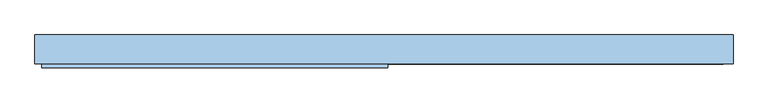
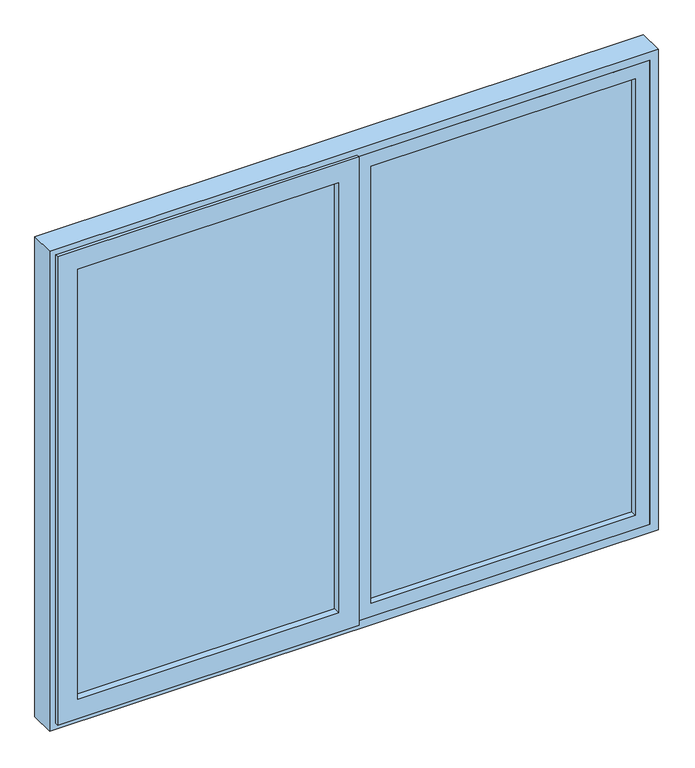
"""IFC4 building model written with IfcOpenShell, lengths in millimetres: window geometry."""

from ifc_helpers import new_model, si_unit, frame, origin, place, context, project, spatial, polyline, outline, extrude, faceted_brep, source, transform, mapped, element, save


def window_8ff41e3b(model_context):
    return source(origin(), model_context, "Body", "SolidModel", [
        faceted_brep([(0.0, -32.7, 968.0), (0.0, 36.7, 968.0), (0.0, 36.7, 925.0), (0.0, -32.7, 925.0), (4.0, -32.7, 968.0), (4.0, 36.7, 968.0), (832.0, -32.7, 968.0), (832.0, 36.7, 968.0), (50.0, 36.7, 968.0), (50.0, -32.7, 968.0), (0.0, 36.7, 2332.0), (0.0, 36.7, 2375.0), (875.0, 36.7, 2375.0), (875.0, 36.7, 925.0), (832.0, 36.7, 2332.0), (50.0, 36.7, 2332.0), (4.0, 36.7, 2332.0), (875.0, -32.7, 925.0), (0.0, -32.7, 2375.0), (0.0, -32.7, 2332.0), (4.0, -32.7, 2332.0), (875.0, -32.7, 2375.0), (50.0, -32.7, 2332.0), (832.0, -32.7, 2332.0), (4.0, 37.3, 2332.0), (4.0, 37.3, 968.0), (50.0, 42.25, 968.0), (50.0, 42.25, 2332.0), (-40.0, 37.3, 968.0), (-40.0, 42.25, 968.0), (-40.0, 37.3, 2332.0), (-40.0, 42.25, 2332.0)], [[[0, 1, 2, 3]], [[1, 0, 4, 5]], [[6, 7, 8, 9]], [[10, 11, 12, 13, 2, 1, 5, 8, 7, 14, 15, 16]], [[3, 2, 13, 17]], [[18, 19, 20, 4, 0, 3, 17, 21], [6, 9, 22, 23]], [[24, 25, 5, 4, 20, 16]], [[21, 17, 13, 12]], [[26, 27, 15, 22, 9, 8]], [[6, 23, 14, 7]], [[25, 28, 29, 26, 8, 5]], [[24, 30, 28, 25]], [[30, 31, 29, 28]], [[31, 27, 26, 29]], [[19, 18, 11, 10]], [[11, 18, 21, 12]], [[19, 10, 16, 20]], [[14, 23, 22, 15]], [[27, 31, 30, 24, 16, 15]]]),
        extrude(outline(polyline([(832.0, -14.7), (50.0, -14.7), (50.0, 34.3), (832.0, 34.3), (832.0, -14.7)])), frame((0.0, 0.0, 968.0), z_axis=(0.0, 0.0, 1.0), x_axis=(1.0, 0.0, 0.0)), (0.0, 0.0, 1.0), 1364.0),
        extrude(outline(polyline([(-50.4, -20.2), (-822.0, -20.2), (-822.0, 28.8), (-50.4, 28.8), (-50.4, -20.2)])), frame((0.0, 0.0, 978.0), z_axis=(0.0, 0.0, 1.0), x_axis=(1.0, 0.0, 0.0)), (0.0, 0.0, 1.0), 1344.0),
        faceted_brep([(-882.0, -42.3, 918.0), (-882.0, -32.8, 918.0), (9.6, -32.8, 918.0), (9.6, -42.3, 918.0), (9.6, -32.8, 2382.0), (9.6, -42.3, 2382.0), (-882.0, -32.8, 2382.0), (-7.9, -32.8, 2364.5), (-864.5, -32.8, 2364.5), (-864.5, -32.8, 935.5), (-7.9, -32.8, 935.5), (-882.0, -42.3, 2382.0), (-50.4, -42.3, 978.0), (-822.0, -42.3, 978.0), (-822.0, -42.3, 2322.0), (-50.4, -42.3, 2322.0), (-822.0, 28.77, 978.0), (-50.4, 28.77, 978.0), (-50.4, 28.77, 2322.0), (-45.4, 28.77, 973.0), (-827.0, 28.77, 973.0), (-827.0, 28.77, 2327.0), (-45.4, 28.77, 2327.0), (-822.0, 28.77, 2322.0), (-827.0, 36.7, 973.0), (-45.4, 36.7, 973.0), (-45.4, 36.7, 2327.0), (-7.9, 36.7, 935.5), (-864.5, 36.7, 935.5), (-864.5, 36.7, 2364.5), (-7.9, 36.7, 2364.5), (-827.0, 36.7, 2327.0)], [[[0, 1, 2, 3]], [[3, 2, 4, 5]], [[2, 1, 6, 4], [7, 8, 9, 10]], [[5, 11, 0, 3], [12, 13, 14, 15]], [[16, 13, 12, 17]], [[17, 12, 15, 18]], [[19, 20, 21, 22], [18, 23, 16, 17]], [[24, 20, 19, 25]], [[25, 19, 22, 26]], [[27, 28, 29, 30], [26, 31, 24, 25]], [[9, 28, 27, 10]], [[10, 27, 30, 7]], [[11, 6, 1, 0]], [[23, 14, 13, 16]], [[31, 21, 20, 24]], [[8, 29, 28, 9]], [[5, 4, 6, 11]], [[18, 15, 14, 23]], [[26, 22, 21, 31]], [[7, 30, 29, 8]]]),
        faceted_brep([(-875.0, 37.3, 925.0), (-875.0, -32.7, 925.0), (875.0, -32.7, 925.0), (875.0, 37.3, 925.0), (875.0, -32.7, 2375.0), (875.0, 37.3, 2375.0), (900.0, -32.7, 2400.0), (-900.0, -32.7, 2400.0), (-900.0, -32.7, 900.0), (900.0, -32.7, 900.0), (-875.0, -32.7, 2375.0), (-875.0, 37.3, 2375.0), (832.0, 37.3, 968.0), (-832.0, 37.3, 968.0), (-832.0, 37.3, 2332.0), (832.0, 37.3, 2332.0), (-832.0, 42.3, 968.0), (832.0, 42.3, 968.0), (832.0, 42.3, 2332.0), (900.0, 42.3, 900.0), (-900.0, 42.3, 900.0), (-900.0, 42.3, 2400.0), (900.0, 42.3, 2400.0), (-832.0, 42.3, 2332.0)], [[[0, 1, 2, 3]], [[3, 2, 4, 5]], [[6, 7, 8, 9], [2, 1, 10, 4]], [[5, 11, 0, 3], [12, 13, 14, 15]], [[16, 13, 12, 17]], [[17, 12, 15, 18]], [[19, 20, 21, 22], [18, 23, 16, 17]], [[19, 22, 6, 9]], [[8, 20, 19, 9]], [[11, 10, 1, 0]], [[23, 14, 13, 16]], [[7, 21, 20, 8]], [[5, 4, 10, 11]], [[18, 15, 14, 23]], [[6, 22, 21, 7]]]),
    ])


if __name__ == "__main__":
    model = new_model("IFC4")
    model_context = context("Model", 3, world=origin())
    ifc_project = project(units=[si_unit("LENGTHUNIT", "METRE", prefix="MILLI")], contexts=[model_context])
    site = spatial("IfcSite", under=ifc_project)
    building = spatial("IfcBuilding", under=site)
    placement = place(None, origin())
    window_shape = window_8ff41e3b(model_context)
    element("IfcWindow", 1, at=placement, inside=building, context=model_context, shape_type="MappedRepresentation", body=[
        mapped(window_shape, transform((0.0, 0.0, 0.0), x_axis=(1.0, 0.0, 0.0), y_axis=(0.0, 1.0, 0.0), z_axis=(0.0, 0.0, 1.0))),
    ])
    save(model, "model.ifc")
